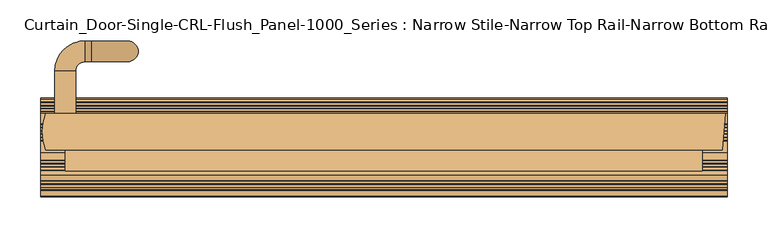
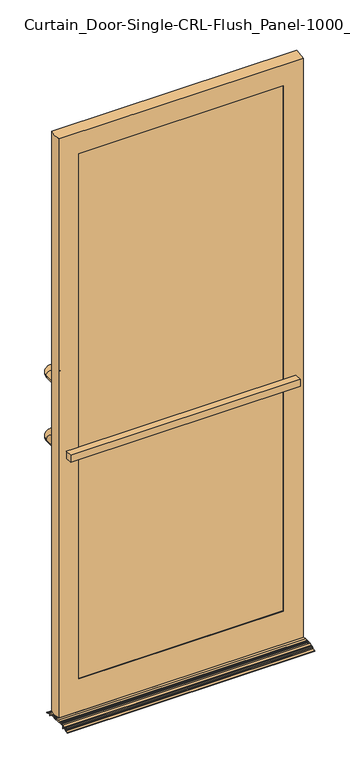
"""IFC4 building model written with IfcOpenShell, lengths in millimetres: door geometry, Curtain_Door-Single-CRL-Flush_Panel-1000_Series : Narrow Stile-Narrow Top Rail-Narrow Bottom Rail."""

from ifc_helpers import new_model, si_unit, point, frame, frame_2d, origin, place, context, project, spatial, polyline, circle_curve, ellipse_curve, trimmed, segment, composite_curve, outline, extrude, source, transform, mapped, element, save
from ifc_brep_helpers import plane_surface, cylinder_surface, revolved_surface, advanced_brep


def curtain_door_single_crl_flush_panel_1000_series_narrow_stile_6d160f6b(model_context):
    return source(origin(), model_context, "Body", "SolidModel", [
        advanced_brep(
        [(-402.0342547, 57.15, 1181.1), (-376.6344953, 57.15, 1181.1), (-402.0342547, 57.15, 952.5), (-376.6344953, 57.15, 952.5), (-402.0342547, 109.4147494, 1181.1), (-376.6344953, 109.4147494, 1181.1), (-365.3990041, 120.6502407, 1181.1), (-365.3990041, 146.05, 1181.1), (-357.5842547, 146.05, 1181.1), (-357.5842547, 120.6502407, 1181.1), (-313.1342547, 120.6502407, 1136.65), (-313.1342547, 146.05, 1136.65), (-313.1342547, 146.05, 996.95), (-313.1342547, 120.6502407, 996.95), (-357.5842547, 120.6502407, 952.5), (-357.5842547, 146.05, 952.5), (-365.3990041, 146.05, 952.5), (-365.3990041, 120.6502407, 952.5), (-376.6344953, 109.4147494, 952.5), (-402.0342547, 109.4147494, 952.5)],
        [
            (0, 1, circle_curve(frame((-389.334375, 57.15, 1181.1), z_axis=(0.0, -1.0, 0.0), x_axis=(-1.0, 0.0, 0.0)), 12.6998797)),
            (1, 0, circle_curve(frame((-389.334375, 57.15, 1181.1), z_axis=(0.0, -1.0, 0.0), x_axis=(-1.0, 0.0, 0.0)), 12.6998797)),
            (2, 3, circle_curve(frame((-389.334375, 57.15, 952.5), z_axis=(0.0, -1.0, 0.0), x_axis=(-1.0, 0.0, 0.0)), 12.6998797)),
            (3, 2, circle_curve(frame((-389.334375, 57.15, 952.5), z_axis=(0.0, -1.0, 0.0), x_axis=(-1.0, 0.0, 0.0)), 12.6998797)),
            (0, 4),
            (4, 5, circle_curve(frame((-389.334375, 109.4147494, 1181.1), z_axis=(0.0, -1.0, 0.0), x_axis=(-1.0, 0.0, 0.0)), 12.6998797)),
            (5, 1),
            (5, 4, circle_curve(frame((-389.334375, 109.4147494, 1181.1), z_axis=(0.0, -1.0, 0.0), x_axis=(-1.0, 0.0, 0.0)), 12.6998797)),
            (6, 5, circle_curve(frame((-365.3990041, 109.4147494, 1181.1), z_axis=(0.0, 0.0, 1.0), x_axis=(-1.0, 0.0, 0.0)), 11.2354913)),
            (4, 7, circle_curve(frame((-365.3990041, 109.4147494, 1181.1), z_axis=(0.0, 0.0, -1.0), x_axis=(-1.0, 0.0, 0.0)), 36.6352506)),
            (7, 6, circle_curve(frame((-365.3990041, 133.3501203, 1181.1), z_axis=(-1.0, 0.0, 0.0), x_axis=(0.0, 1.0, 0.0)), 12.6998797)),
            (6, 7, circle_curve(frame((-365.3990041, 133.3501203, 1181.1), z_axis=(-1.0, 0.0, 0.0), x_axis=(0.0, 1.0, 0.0)), 12.6998797)),
            (7, 8),
            (8, 9, circle_curve(frame((-357.5842547, 133.3501203, 1181.1), z_axis=(-1.0, 0.0, 0.0), x_axis=(0.0, 1.0, 0.0)), 12.6998797)),
            (9, 6),
            (9, 8, circle_curve(frame((-357.5842547, 133.3501203, 1181.1), z_axis=(-1.0, 0.0, 0.0), x_axis=(0.0, 1.0, 0.0)), 12.6998797)),
            (10, 9, circle_curve(frame((-357.5842547, 120.6502407, 1136.65), z_axis=(0.0, -1.0, 0.0), x_axis=(0.0, 0.0, 1.0)), 44.45)),
            (8, 11, circle_curve(frame((-357.5842547, 146.05, 1136.65), z_axis=(0.0, 1.0, 0.0), x_axis=(0.0, 0.0, 1.0)), 44.45)),
            (11, 10, circle_curve(frame((-313.1342547, 133.3501203, 1136.65), z_axis=(0.0, 0.0, 1.0), x_axis=(0.0, 1.0, 0.0)), 12.6998797)),
            (10, 11, circle_curve(frame((-313.1342547, 133.3501203, 1136.65), z_axis=(0.0, 0.0, 1.0), x_axis=(0.0, 1.0, 0.0)), 12.6998797)),
            (11, 12),
            (12, 13, circle_curve(frame((-313.1342547, 133.3501203, 996.95), z_axis=(0.0, 0.0, 1.0), x_axis=(0.0, 1.0, 0.0)), 12.6998797)),
            (13, 10),
            (13, 12, circle_curve(frame((-313.1342547, 133.3501203, 996.95), z_axis=(0.0, 0.0, 1.0), x_axis=(0.0, 1.0, 0.0)), 12.6998797)),
            (14, 13, circle_curve(frame((-357.5842547, 120.6502407, 996.95), z_axis=(0.0, -1.0, 0.0), x_axis=(1.0, 0.0, 0.0)), 44.45)),
            (12, 15, circle_curve(frame((-357.5842547, 146.05, 996.95), z_axis=(0.0, 1.0, 0.0), x_axis=(1.0, 0.0, 0.0)), 44.45)),
            (15, 14, circle_curve(frame((-357.5842547, 133.3501203, 952.5), z_axis=(1.0, 0.0, 0.0), x_axis=(0.0, 1.0, 0.0)), 12.6998797)),
            (14, 15, circle_curve(frame((-357.5842547, 133.3501203, 952.5), z_axis=(1.0, 0.0, 0.0), x_axis=(0.0, 1.0, 0.0)), 12.6998797)),
            (15, 16),
            (16, 17, circle_curve(frame((-365.3990041, 133.3501203, 952.5), z_axis=(1.0, 0.0, 0.0), x_axis=(0.0, 1.0, 0.0)), 12.6998797)),
            (17, 14),
            (17, 16, circle_curve(frame((-365.3990041, 133.3501203, 952.5), z_axis=(1.0, 0.0, 0.0), x_axis=(0.0, 1.0, 0.0)), 12.6998797)),
            (18, 17, circle_curve(frame((-365.3990041, 109.4147494, 952.5), z_axis=(0.0, 0.0, -1.0), x_axis=(0.0, 1.0, 0.0)), 11.2354913)),
            (16, 19, circle_curve(frame((-365.3990041, 109.4147494, 952.5), z_axis=(0.0, 0.0, 1.0), x_axis=(0.0, 1.0, 0.0)), 36.6352506)),
            (19, 18, circle_curve(frame((-389.334375, 109.4147494, 952.5), z_axis=(0.0, 1.0, 0.0), x_axis=(-1.0, 0.0, 0.0)), 12.6998797)),
            (18, 19, circle_curve(frame((-389.334375, 109.4147494, 952.5), z_axis=(0.0, 1.0, 0.0), x_axis=(-1.0, 0.0, 0.0)), 12.6998797)),
            (19, 2),
            (3, 18),
        ],
        [
            plane_surface(frame((-402.0342547, 57.15, 1181.1), z_axis=(0.0, -1.0, 0.0), x_axis=(0.0, 0.0, 1.0))),
            plane_surface(frame((-402.0342547, 57.15, 952.5), z_axis=(0.0, -1.0, 0.0), x_axis=(0.0, 0.0, -1.0))),
            cylinder_surface(frame((-389.334375, 57.15, 1181.1), z_axis=(0.0, -1.0, 0.0), x_axis=(-1.0, 0.0, 0.0)), 12.6998797),
            revolved_surface(trimmed(ellipse_curve(frame((-389.334375, 109.4147494, 1181.1), z_axis=(0.0, -1.0, 0.0), x_axis=(-1.0, 0.0, 0.0)), 12.6998797, 12.6998797), [point((-402.0342547, 109.4147494, 1181.1))], [point((-376.6344953, 109.4147494, 1181.1))], True, "CARTESIAN"), (-365.3990041, 109.4147494, 1181.1), (0.0, 0.0, -1.0)),
            revolved_surface(trimmed(ellipse_curve(frame((-389.334375, 109.4147494, 1181.1), z_axis=(0.0, -1.0, 0.0), x_axis=(-1.0, 0.0, 0.0)), 12.6998797, 12.6998797), [point((-376.6344953, 109.4147494, 1181.1))], [point((-402.0342547, 109.4147494, 1181.1))], True, "CARTESIAN"), (-365.3990041, 109.4147494, 1181.1), (0.0, 0.0, -1.0)),
            cylinder_surface(frame((-365.3990041, 133.3501203, 1181.1), z_axis=(-1.0, 0.0, 0.0), x_axis=(0.0, 1.0, 0.0)), 12.6998797),
            revolved_surface(trimmed(ellipse_curve(frame((-357.5842547, 133.3501203, 1181.1), z_axis=(-1.0, 0.0, 0.0), x_axis=(0.0, 1.0, 0.0)), 12.6998797, 12.6998797), [point((-357.5842547, 146.05, 1181.1))], [point((-357.5842547, 120.6502407, 1181.1))], True, "CARTESIAN"), (-357.5842547, 133.35, 1136.65), (0.0, 1.0, 0.0)),
            revolved_surface(trimmed(ellipse_curve(frame((-357.5842547, 133.3501203, 1181.1), z_axis=(-1.0, 0.0, 0.0), x_axis=(0.0, 1.0, 0.0)), 12.6998797, 12.6998797), [point((-357.5842547, 120.6502407, 1181.1))], [point((-357.5842547, 146.05, 1181.1))], True, "CARTESIAN"), (-357.5842547, 133.35, 1136.65), (0.0, 1.0, 0.0)),
            cylinder_surface(frame((-313.1342547, 133.3501203, 1136.65), z_axis=(0.0, 0.0, 1.0), x_axis=(0.0, 1.0, 0.0)), 12.6998797),
            revolved_surface(trimmed(ellipse_curve(frame((-313.1342547, 133.3501203, 996.95), z_axis=(0.0, 0.0, 1.0), x_axis=(0.0, 1.0, 0.0)), 12.6998797, 12.6998797), [point((-313.1342547, 146.05, 996.95))], [point((-313.1342547, 120.6502407, 996.95))], True, "CARTESIAN"), (-357.5842547, 133.35, 996.95), (0.0, 1.0, 0.0)),
            revolved_surface(trimmed(ellipse_curve(frame((-313.1342547, 133.3501203, 996.95), z_axis=(0.0, 0.0, 1.0), x_axis=(0.0, 1.0, 0.0)), 12.6998797, 12.6998797), [point((-313.1342547, 120.6502407, 996.95))], [point((-313.1342547, 146.05, 996.95))], True, "CARTESIAN"), (-357.5842547, 133.35, 996.95), (0.0, 1.0, 0.0)),
            cylinder_surface(frame((-357.5842547, 133.3501203, 952.5), z_axis=(1.0, 0.0, 0.0), x_axis=(0.0, 1.0, 0.0)), 12.6998797),
            revolved_surface(trimmed(ellipse_curve(frame((-365.3990041, 133.3501203, 952.5), z_axis=(1.0, 0.0, 0.0), x_axis=(0.0, 1.0, 0.0)), 12.6998797, 12.6998797), [point((-365.3990041, 146.05, 952.5))], [point((-365.3990041, 120.6502407, 952.5))], True, "CARTESIAN"), (-365.3990041, 109.4147494, 952.5), (0.0, 0.0, 1.0)),
            revolved_surface(trimmed(ellipse_curve(frame((-365.3990041, 133.3501203, 952.5), z_axis=(1.0, 0.0, 0.0), x_axis=(0.0, 1.0, 0.0)), 12.6998797, 12.6998797), [point((-365.3990041, 120.6502407, 952.5))], [point((-365.3990041, 146.05, 952.5))], True, "CARTESIAN"), (-365.3990041, 109.4147494, 952.5), (0.0, 0.0, 1.0)),
            cylinder_surface(frame((-389.334375, 109.4147494, 952.5), z_axis=(0.0, 1.0, 0.0), x_axis=(-1.0, 0.0, 0.0)), 12.6998797),
        ],
        [
            (0, [[1, 2]]),
            (1, [[3, 4]]),
            (2, [[-1, 5, 6, 7]]),
            (2, [[-2, -7, 8, -5]]),
            (3, [[9, -6, 10, 11]]),
            (4, [[-10, -8, -9, 12]]),
            (5, [[-11, 13, 14, 15]]),
            (5, [[-12, -15, 16, -13]]),
            (6, [[17, -14, 18, 19]]),
            (7, [[-18, -16, -17, 20]]),
            (8, [[-19, 21, 22, 23]]),
            (8, [[-20, -23, 24, -21]]),
            (9, [[25, -22, 26, 27]]),
            (10, [[-26, -24, -25, 28]]),
            (11, [[-27, 29, 30, 31]]),
            (11, [[-28, -31, 32, -29]]),
            (12, [[33, -30, 34, 35]]),
            (13, [[-34, -32, -33, 36]]),
            (14, [[-35, 37, -4, 38]]),
            (14, [[-36, -38, -3, -37]]),
        ],
    ),
        extrude(outline(polyline([(354.80625, 54.76875), (354.80625, 15.08125), (-356.39375, 15.08125), (-356.39375, 54.76875), (354.80625, 54.76875)])), frame((0.0, 0.0, 125.4125), z_axis=(0.0, 0.0, 1.0), x_axis=(1.0, 0.0, 0.0)), (0.0, 0.0, 1.0), 1900.4279753),
        advanced_brep(
        [(-413.2677763, 57.15, 2092.5154753), (-413.2677763, 12.7, 2092.5154753), (413.1373512, 12.7, 2092.5154753), (416.71875, 57.15, 2092.5154753), (-413.2677763, 12.7, 17.4625), (-413.2677763, 57.15, 17.4625), (416.71875, 57.15, 17.4625), (413.1373512, 12.7, 17.4625), (-346.86875, 12.7, 2016.3154753), (345.28125, 12.7, 2016.3154753), (345.28125, 12.7, 134.9375), (-346.86875, 12.7, 134.9375), (-359.56875, 15.08125, 2029.0154753), (-359.56875, 15.08125, 122.2375), (-359.56875, 54.76875, 122.2375), (-359.56875, 54.76875, 2029.0154753), (-346.86875, 57.15, 134.9375), (345.28125, 57.15, 134.9375), (345.28125, 57.15, 2016.3154753), (-346.86875, 57.15, 2016.3154753), (357.98125, 54.76875, 2029.0154753), (357.98125, 54.76875, 122.2375), (357.98125, 15.08125, 122.2375), (357.98125, 15.08125, 2029.0154753), (-346.86875, 15.08125, 134.9375), (-346.86875, 15.08125, 2016.3154753), (345.28125, 15.08125, 134.9375), (345.28125, 15.08125, 2016.3154753), (-346.86875, 54.76875, 2016.3154753), (345.28125, 54.76875, 2016.3154753), (345.28125, 54.76875, 134.9375), (-346.86875, 54.76875, 134.9375)],
        [
            (0, 1, circle_curve(frame((-352.2527085, 34.925, 2092.5154753), z_axis=(0.0, 0.0, 1.0), x_axis=(1.0, 0.0, 0.0)), 64.9368087)),
            (1, 2),
            (2, 3),
            (3, 0),
            (4, 5, circle_curve(frame((-352.2527085, 34.925, 17.4625), z_axis=(0.0, 0.0, -1.0), x_axis=(1.0, 0.0, 0.0)), 64.9368087)),
            (5, 6),
            (6, 7),
            (7, 4),
            (0, 5),
            (4, 1),
            (7, 2),
            (8, 9),
            (9, 10),
            (10, 11),
            (11, 8),
            (12, 13),
            (13, 14),
            (14, 15),
            (15, 12),
            (3, 6),
            (16, 17),
            (17, 18),
            (18, 19),
            (19, 16),
            (20, 21),
            (21, 22),
            (22, 23),
            (23, 20),
            (21, 14),
            (13, 22),
            (15, 20),
            (23, 12),
            (11, 24),
            (24, 25),
            (25, 8),
            (24, 26),
            (26, 27),
            (27, 25),
            (28, 29),
            (29, 30),
            (30, 31),
            (31, 28),
            (19, 28),
            (31, 16),
            (17, 30),
            (29, 18),
            (9, 27),
            (26, 10),
        ],
        [
            plane_surface(frame((-287.3158998, 34.925, 2092.5154753), z_axis=(0.0, 0.0, 1.0), x_axis=(0.0, 1.0, 0.0))),
            plane_surface(frame((-287.3158998, 34.925, 17.4625), z_axis=(0.0, 0.0, -1.0), x_axis=(0.0, -1.0, 0.0))),
            cylinder_surface(frame((-352.2527085, 34.925, 17.4625), z_axis=(0.0, 0.0, 1.0), x_axis=(1.0, 0.0, 0.0)), 64.9368087),
            plane_surface(frame((-413.2677763, 12.7, 2092.5154753), z_axis=(0.0, -1.0, 0.0), x_axis=(0.0, 0.0, -1.0))),
            plane_surface(frame((-359.56875, 15.08125, 2092.5154753), z_axis=(1.0, 0.0, 0.0), x_axis=(0.0, 0.0, -1.0))),
            plane_surface(frame((-346.86875, 57.15, 2092.5154753), z_axis=(0.0, 1.0, 0.0), x_axis=(0.0, 0.0, -1.0))),
            plane_surface(frame((357.98125, 54.76875, 2092.5154753), z_axis=(-1.0, 0.0, 0.0), x_axis=(0.0, 0.0, -1.0))),
            plane_surface(frame((413.1373512, 12.7, 2092.5154753), z_axis=(0.9967698431043917, -0.08031114416845599, 0.0), x_axis=(0.0, 0.0, -1.0))),
            plane_surface(frame((-359.56875, 15.08125, 122.2375), z_axis=(0.0, 0.0, 1.0), x_axis=(1.0, 0.0, 0.0))),
            plane_surface(frame((-359.56875, 54.76875, 2029.0154753), z_axis=(0.0, 0.0, -1.0), x_axis=(1.0, 0.0, 0.0))),
            plane_surface(frame((-346.86875, 12.7, 2092.5154753), z_axis=(1.0, 0.0, 0.0), x_axis=(0.0, 0.0, -1.0))),
            plane_surface(frame((-346.86875, 15.08125, 2092.5154753), z_axis=(0.0, 1.0, 0.0), x_axis=(0.0, 0.0, -1.0))),
            plane_surface(frame((-359.56875, 54.76875, 2092.5154753), z_axis=(0.0, -1.0, 0.0), x_axis=(0.0, 0.0, -1.0))),
            plane_surface(frame((-346.86875, 54.76875, 2092.5154753), z_axis=(1.0, 0.0, 0.0), x_axis=(0.0, 0.0, -1.0))),
            plane_surface(frame((345.28125, 57.15, 2092.5154753), z_axis=(-1.0, 0.0, 0.0), x_axis=(0.0, 0.0, -1.0))),
            plane_surface(frame((345.28125, 15.08125, 2092.5154753), z_axis=(-1.0, 0.0, 0.0), x_axis=(0.0, 0.0, -1.0))),
            plane_surface(frame((-359.56875, 12.7, 134.9375), z_axis=(0.0, 0.0, 1.0), x_axis=(1.0, 0.0, 0.0))),
            plane_surface(frame((-359.56875, 54.76875, 134.9375), z_axis=(0.0, 0.0, 1.0), x_axis=(1.0, 0.0, 0.0))),
            plane_surface(frame((-359.56875, 15.08125, 2016.3154753), z_axis=(0.0, 0.0, -1.0), x_axis=(1.0, 0.0, 0.0))),
            plane_surface(frame((-359.56875, 57.15, 2016.3154753), z_axis=(0.0, 0.0, -1.0), x_axis=(1.0, 0.0, 0.0))),
        ],
        [
            (0, [[1, 2, 3, 4]]),
            (1, [[5, 6, 7, 8]]),
            (2, [[-1, 9, -5, 10]]),
            (3, [[-2, -10, -8, 11], [12, 13, 14, 15]]),
            (4, [[16, 17, 18, 19]]),
            (5, [[-6, -9, -4, 20], [21, 22, 23, 24]]),
            (6, [[25, 26, 27, 28]]),
            (7, [[-3, -11, -7, -20]]),
            (8, [[29, -17, 30, -26]]),
            (9, [[31, -28, 32, -19]]),
            (10, [[-15, 33, 34, 35]]),
            (11, [[-16, -32, -27, -30], [36, 37, 38, -34]]),
            (12, [[-18, -29, -25, -31], [39, 40, 41, 42]]),
            (13, [[-24, 43, -42, 44]]),
            (14, [[-22, 45, -40, 46]]),
            (15, [[-13, 47, -37, 48]]),
            (16, [[-14, -48, -36, -33]]),
            (17, [[-21, -44, -41, -45]]),
            (18, [[-12, -35, -38, -47]]),
            (19, [[-23, -46, -39, -43]]),
        ],
    ),
        extrude(outline(composite_curve([segment(polyline([(-39.5212047, 0.6592257), (-44.4499985, -0.0384612), (-44.4499985, 1.0535863)]), True, "CONTINUOUS"), segment(trimmed(circle_curve(frame_2d((-43.6625974, 1.0535863)), 0.787401), [point((-44.4499985, 1.0535863))], [point((-43.9702598, 1.7783926))], False, "CARTESIAN"), True, "CONTINUOUS"), segment(polyline([(-43.9702598, 1.7783926), (-37.1551035, 4.6712583), (-36.122663, 4.2541209), (-33.1767286, 5.5045973), (-32.7595746, 6.5370784), (-29.6732941, 7.8471282), (-28.6408218, 7.4299778), (-25.6948634, 8.6804644), (-25.2777216, 9.7129138), (-18.2405951, 12.7000004), (-12.6999802, 12.7000004), (-11.9125768, 11.9125969), (-8.7121694, 11.9125969), (-7.9247659, 12.7000004), (-4.5719346, 12.7000004), (-3.7845311, 11.9125969), (-0.5841494, 11.9125969), (0.2032541, 12.7000004), (9.4995413, 12.7000004), (9.4995413, 11.125254), (23.4186946, 11.125254), (24.2061102, 10.3378384), (27.4065702, 10.3378384), (28.1939858, 11.125254), (31.546706, 11.125254), (32.3341216, 10.3378384), (35.5345559, 10.3378384), (36.3219715, 11.125254), (39.6747173, 11.125254), (40.4621329, 10.3378384), (43.6625416, 10.3378384), (44.4499572, 11.125254), (57.1498396, 11.125254), (59.4855282, 10.0539503), (59.8729656, 9.0099673), (62.7819719, 7.6757016), (63.8259549, 8.0631391), (66.873513, 6.6653242), (67.2609504, 5.6213412), (70.1699424, 4.2870821), (71.2139255, 4.6745195), (74.3729314, 3.2255872)]), True, "CONTINUOUS"), segment(trimmed(circle_curve(frame_2d((73.0504092, 0.3671045)), 3.1496013), [point((74.3729314, 3.2255872))], [point((76.1788923, 0.0029861))], False, "CARTESIAN"), True, "CONTINUOUS"), segment(polyline([(76.1788923, 0.0029861), (71.2713027, 0.6976712), (71.2713027, 1.6022642), (65.3960173, 4.2970647), (65.0085918, 5.3410157), (64.0388775, 5.7857918), (62.9949266, 5.3983662), (59.2327943, 7.1239328), (59.2327943, 0.0), (57.6579873, 0.0), (57.6579873, 7.8462451), (56.5451634, 8.3566609), (45.5967545, 8.3566609), (44.8093268, 7.5692331), (39.3153392, 7.5692331), (38.5279114, 8.3566609), (37.4687688, 8.3566609), (36.6813411, 7.5692331), (31.1873278, 7.5692331), (30.3999001, 8.3566609), (29.3407832, 8.3566609), (28.5533554, 7.5692331), (23.0593164, 7.5692331), (22.2718887, 8.3566609), (6.7309482, 8.3566609), (6.7309482, 9.9313952), (1.3500478, 9.9313952), (0.5626443, 9.1439917), (-4.9275566, 9.1439917), (-5.7149601, 9.9313952), (-6.7817489, 9.9313952), (-7.5691524, 9.1439917), (-13.0593363, 9.1439917), (-13.8467398, 9.9313952), (-16.6658069, 9.9313952), (-16.6658069, 0.0), (-18.2406017, 0.0), (-18.2406017, 9.6923162), (-23.1403066, 7.6125125), (-23.5574595, 6.580034), (-28.6146765, 4.4333727), (-29.6471428, 4.8505212), (-30.6221804, 4.4366418), (-31.0393316, 3.4041676), (-36.0965377, 1.2575109), (-37.1290002, 1.6746574), (-39.5212047, 0.6592257)]), True, "CONTINUOUS")], self_intersect=False)), frame((-419.1, 0.0, 0.0), z_axis=(1.0, 0.0, 0.0), x_axis=(0.0, 1.0, 0.0)), (0.0, 0.0, 1.0), 838.2),
        extrude(outline(polyline([(-389.334375, -12.7), (-389.334375, 12.7), (388.540625, 12.7), (388.540625, -12.7), (-389.334375, -12.7)])), frame((0.0, 0.0, 939.8), z_axis=(0.0, 0.0, 1.0), x_axis=(1.0, 0.0, 0.0)), (0.0, 0.0, 1.0), 25.3998797),
    ])


if __name__ == "__main__":
    model = new_model("IFC4")
    model_context = context("Model", 3, world=origin())
    ifc_project = project(units=[si_unit("LENGTHUNIT", "METRE", prefix="MILLI")], contexts=[model_context])
    site = spatial("IfcSite", under=ifc_project)
    building = spatial("IfcBuilding", under=site)
    placement = place(None, origin())
    curtain_door_single_crl_flush_panel_1000_series_narrow_stile_shape = curtain_door_single_crl_flush_panel_1000_series_narrow_stile_6d160f6b(model_context)
    element("IfcDoor", 1, ObjectType="Curtain_Door-Single-CRL-Flush_Panel-1000_Series : Narrow Stile-Narrow Top Rail-Narrow Bottom Rail", at=placement, inside=building, context=model_context, shape_type="MappedRepresentation", body=[
        mapped(curtain_door_single_crl_flush_panel_1000_series_narrow_stile_shape, transform((0.0, 0.0, 0.0), x_axis=(1.0, 0.0, 0.0), y_axis=(0.0, 1.0, 0.0), z_axis=(0.0, 0.0, 1.0))),
    ])
    save(model, "model.ifc")
